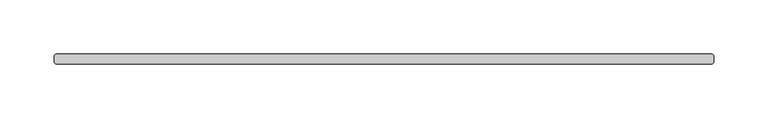
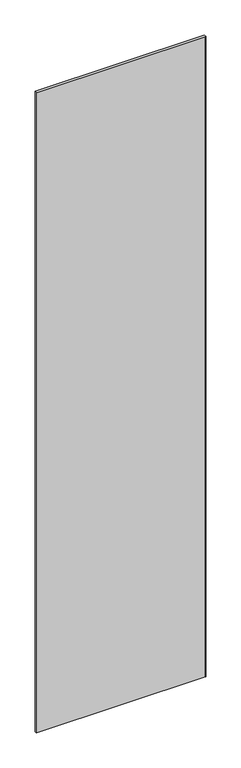
"""IFC4 building model written with IfcOpenShell, lengths in millimetres: plate geometry."""

from ifc_helpers import new_model, si_unit, origin, origin_with_axes, place, context, project, spatial, polyline, outline, extrude, source, transform, mapped, element, save


def plate_ef8a7f6d(model_context):
    return source(origin(), model_context, "Body", "SweptSolid", [
        extrude(outline(polyline([(302.815625, 4.7625), (304.403125, 3.175), (304.403125, -3.175), (302.815625, -4.7625), (-302.815625, -4.7625), (-304.403125, -3.175), (-304.403125, 3.175), (-302.815625, 4.7625), (302.815625, 4.7625)])), origin_with_axes(), (0.0, 0.0, 1.0), 2427.1914267),
    ])


if __name__ == "__main__":
    model = new_model("IFC4")
    model_context = context("Model", 3, world=origin())
    ifc_project = project(units=[si_unit("LENGTHUNIT", "METRE", prefix="MILLI")], contexts=[model_context])
    site = spatial("IfcSite", under=ifc_project)
    building = spatial("IfcBuilding", under=site)
    placement = place(None, origin())
    plate_shape = plate_ef8a7f6d(model_context)
    element("IfcPlate", 1, at=placement, inside=building, context=model_context, shape_type="MappedRepresentation", body=[
        mapped(plate_shape, transform((0.0, 0.0, 0.0), x_axis=(1.0, 0.0, 0.0), y_axis=(0.0, 1.0, 0.0), z_axis=(0.0, 0.0, 1.0))),
    ])
    save(model, "model.ifc")
